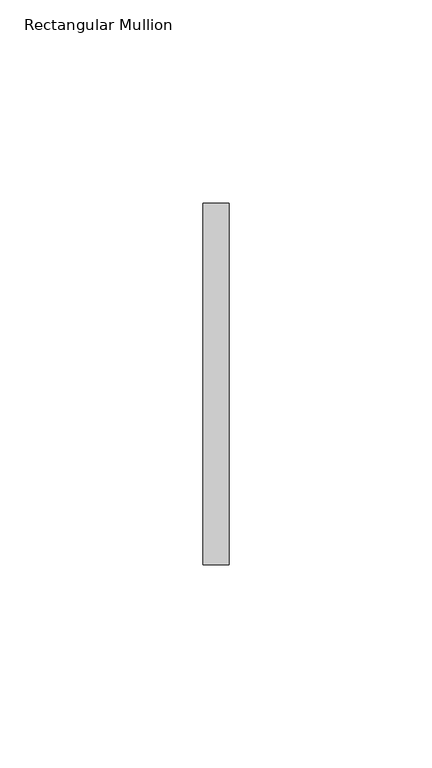
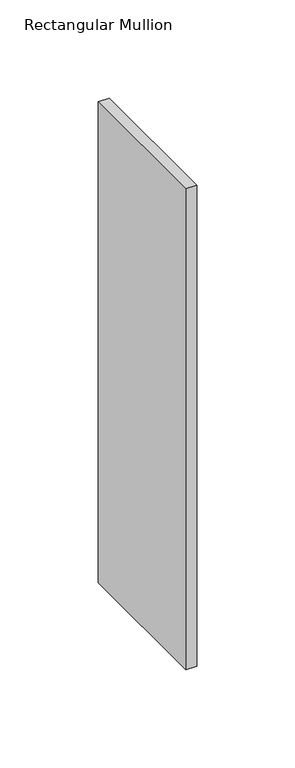
"""IFC4 building model written with IfcOpenShell, lengths in millimetres: member geometry, Rectangular Mullion."""

from ifc_helpers import new_model, si_unit, frame, origin, place, context, project, spatial, polyline, outline, extrude, source, transform, mapped, element, save


def rectangular_mullion_03bbe740(model_context):
    return source(origin(), model_context, "Body", "SweptSolid", [
        extrude(outline(polyline([(0.0, 44.45), (0.0, -44.45), (-6.35, -44.45), (-6.35, 44.45), (0.0, 44.45)])), frame((0.0, 0.0, -298.4500003), z_axis=(0.0, 0.0, 1.0), x_axis=(1.0, 0.0, 0.0)), (0.0, 0.0, 1.0), 298.4500003),
    ])


if __name__ == "__main__":
    model = new_model("IFC4")
    model_context = context("Model", 3, world=origin())
    ifc_project = project(units=[si_unit("LENGTHUNIT", "METRE", prefix="MILLI")], contexts=[model_context])
    site = spatial("IfcSite", under=ifc_project)
    building = spatial("IfcBuilding", under=site)
    placement = place(None, origin())
    rectangular_mullion_shape = rectangular_mullion_03bbe740(model_context)
    element("IfcMember", 1, ObjectType="Rectangular Mullion", at=placement, inside=building, context=model_context, shape_type="MappedRepresentation", body=[
        mapped(rectangular_mullion_shape, transform((0.0, 0.0, 0.0), x_axis=(1.0, 0.0, 0.0), y_axis=(0.0, 1.0, 0.0), z_axis=(0.0, 0.0, 1.0))),
    ])
    save(model, "model.ifc")
